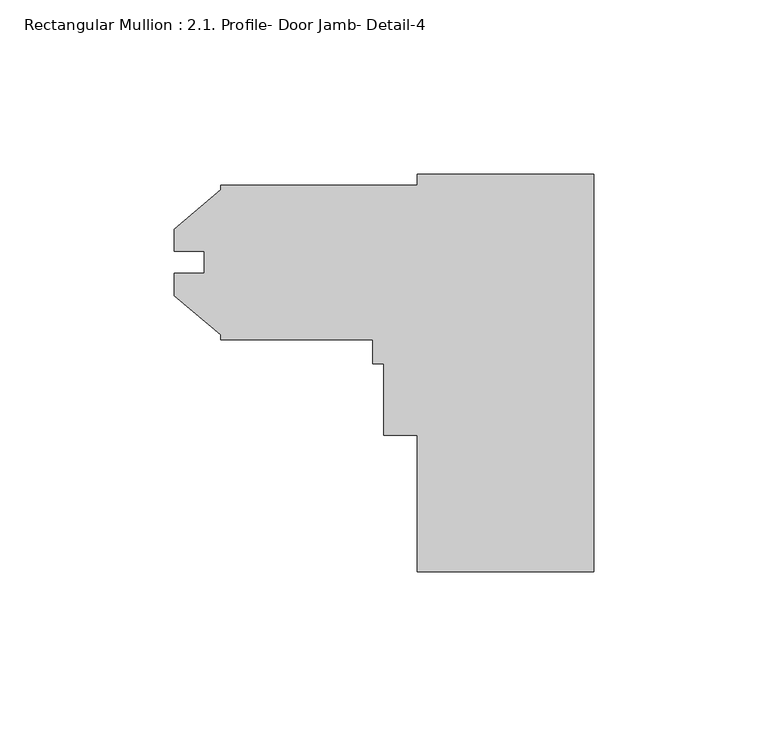
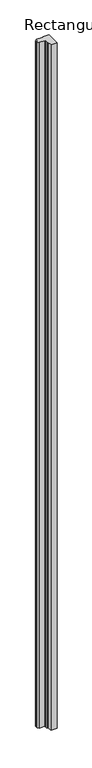
"""IFC4 building model written with IfcOpenShell, lengths in millimetres: member geometry, Rectangular Mullion : 2.1. Profile- Door Jamb- Detail-4."""

from ifc_helpers import new_model, si_unit, frame, origin, place, context, project, spatial, polyline, outline, extrude, source, transform, mapped, element, save


def rectangular_mullion_2_1_profile_door_jamb_detail_4_7332934d(model_context):
    return source(origin(), model_context, "Body", "SweptSolid", [
        extrude(outline(polyline([(0.0, -89.1976563), (-50.8, -89.1976563), (-50.8, -49.9546563), (-60.325, -49.9546563), (-60.325, -29.3298563), (-63.5, -29.3298563), (-63.5, -22.5226563), (-107.15625, -22.5226563), (-107.15625, -21.1234095), (-120.61825, -9.8274503), (-120.61825, -3.4571718), (-111.93145, -3.4571718), (-111.93145, 2.8669392), (-120.61825, 2.8669392), (-120.61825, 9.2372178), (-107.15625, 20.533177), (-107.15625, 21.9273437), (-50.8, 21.9273437), (-50.8, 25.1023437), (0.0, 25.1023437), (0.0, -89.1976563)])), frame((0.0, 0.0, -6096.0), z_axis=(0.0, 0.0, 1.0), x_axis=(1.0, 0.0, 0.0)), (0.0, 0.0, 1.0), 6096.0),
    ])


if __name__ == "__main__":
    model = new_model("IFC4")
    model_context = context("Model", 3, world=origin())
    ifc_project = project(units=[si_unit("LENGTHUNIT", "METRE", prefix="MILLI")], contexts=[model_context])
    site = spatial("IfcSite", under=ifc_project)
    building = spatial("IfcBuilding", under=site)
    placement = place(None, origin())
    rectangular_mullion_2_1_profile_door_jamb_detail_4_shape = rectangular_mullion_2_1_profile_door_jamb_detail_4_7332934d(model_context)
    element("IfcMember", 1, ObjectType="Rectangular Mullion : 2.1. Profile- Door Jamb- Detail-4", at=placement, inside=building, context=model_context, shape_type="MappedRepresentation", body=[
        mapped(rectangular_mullion_2_1_profile_door_jamb_detail_4_shape, transform((0.0, 0.0, 0.0), x_axis=(1.0, 0.0, 0.0), y_axis=(0.0, 1.0, 0.0), z_axis=(0.0, 0.0, 1.0))),
    ])
    save(model, "model.ifc")
